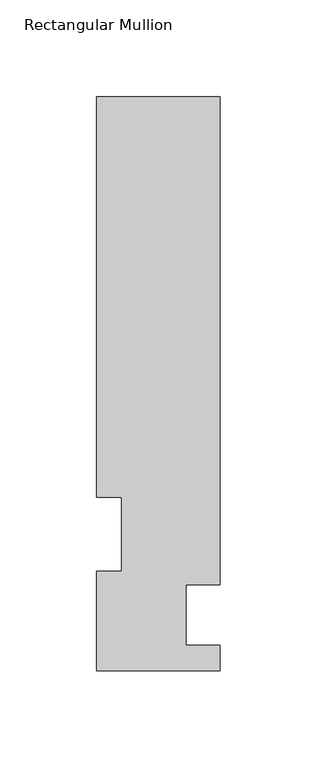
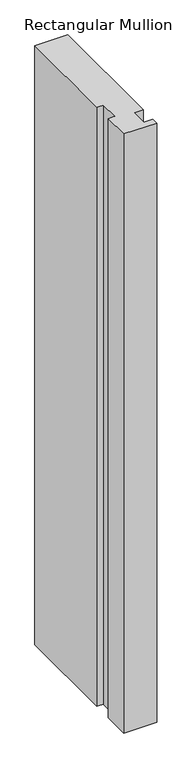
"""IFC4 building model written with IfcOpenShell, lengths in millimetres: member geometry, Rectangular Mullion."""

import ifcopenshell
import ifcopenshell.guid

model = None  # the IFC model being written
_history = None  # IfcOwnerHistory: only IFC2X3 demands one
_inside = {}  # id of a spatial element -> (the spatial element, [elements in it])
_under = {}  # id of a project, library or spatial element -> (it, [spatial elements below it])
_declared = {}  # id of a project -> (the project, [libraries it declares])
_typed = {}  # id of a type object -> (the type object, [elements of that type])
_made_of = {}  # id of a material, layer set ... -> (it, [elements and type objects made of it])


def new_model(schema):
    """Start an empty IFC model of exactly this schema.

    Asked for "IFC4X3", IfcOpenShell would pick the latest addendum, in which some entities
    have other attributes; the version numbers below select the first issue.
    IFC2X3 requires an IfcOwnerHistory on every rooted entity: one is made here for all.
    """
    global model, _history
    if schema == "IFC4X3":
        model = ifcopenshell.file(schema_version=(4, 3, 0, 0))
    else:
        model = ifcopenshell.file(schema=schema)
    _inside.clear()
    _under.clear()
    _declared.clear()
    _typed.clear()
    _made_of.clear()
    _history = None
    if model.schema == "IFC2X3":
        org = make("IfcOrganization", Name="unknown")
        user = make(
            "IfcPersonAndOrganization",
            ThePerson=make("IfcPerson", FamilyName="unknown"),
            TheOrganization=org,
        )
        app = make(
            "IfcApplication",
            ApplicationDeveloper=org,
            Version="unknown",
            ApplicationFullName="unknown",
            ApplicationIdentifier="unknown",
        )
        _history = make(
            "IfcOwnerHistory",
            OwningUser=user,
            OwningApplication=app,
            ChangeAction="ADDED",
            CreationDate=0,
        )
    return model


def make(cls, **values):
    """One entity of the class cls with the attributes given. An attribute that is None is left unset."""
    return model.create_entity(
        cls, **{name: value for name, value in values.items() if value is not None}
    )


def rooted(cls, **values):
    """An entity with a GlobalId (a new one), such as an element, a storey or a relation."""
    return make(cls, GlobalId=ifcopenshell.guid.new(), OwnerHistory=_history, **values)


def si_unit(unit_type, name, prefix=None):
    """IfcSIUnit, for example si_unit("LENGTHUNIT", "METRE", prefix="MILLI")."""
    return make("IfcSIUnit", UnitType=unit_type, Prefix=prefix, Name=name)


def assignment(units):
    """IfcUnitAssignment: the units of a project."""
    return None if units is None else make("IfcUnitAssignment", Units=units)


def point(xyz):
    """IfcCartesianPoint."""
    return None if xyz is None else make("IfcCartesianPoint", Coordinates=xyz)


def direction(xyz):
    """IfcDirection."""
    return None if xyz is None else make("IfcDirection", DirectionRatios=xyz)


def frame(location, z_axis=None, x_axis=None):
    """IfcAxis2Placement3D, a coordinate frame: its origin and axes. An axis left out is left unset."""
    return make(
        "IfcAxis2Placement3D",
        Location=point(location),
        Axis=direction(z_axis),
        RefDirection=direction(x_axis),
    )


def origin():
    """The frame at (0, 0, 0) with its axes left unset."""
    return frame((0.0, 0.0, 0.0))


def place(relative_to, where):
    """IfcLocalPlacement: puts the frame where relative to a parent placement (None: the world)."""
    return make(
        "IfcLocalPlacement", PlacementRelTo=relative_to, RelativePlacement=where
    )


def context(
    kind, dimensions, precision=None, world=None, true_north=None, identifier=None
):
    """IfcGeometricRepresentationContext, for example the 3D "Model" context."""
    return make(
        "IfcGeometricRepresentationContext",
        ContextIdentifier=identifier,
        ContextType=kind,
        CoordinateSpaceDimension=dimensions,
        Precision=precision,
        WorldCoordinateSystem=world,
        TrueNorth=true_north,
    )


def project(units=None, contexts=None):
    """IfcProject with its units and contexts."""
    return rooted(
        "IfcProject",
        Name="project",
        RepresentationContexts=contexts,
        UnitsInContext=assignment(units),
    )


def spatial(cls, under=None, at=None, **own):
    """A site, building, storey or space (cls), placed at a placement, below another one or the project."""
    s = rooted(cls, ObjectPlacement=at, **own)
    if under is not None:
        _under.setdefault(under.id(), (under, []))[1].append(s)
    return s


def polyline(points):
    """IfcPolyline through the points."""
    return make("IfcPolyline", Points=[point(p) for p in points])


def outline(outer, holes=None, kind="AREA"):
    """IfcArbitraryClosedProfileDef: a profile drawn as a closed curve; with holes, ...WithVoids."""
    if holes is None:
        return make("IfcArbitraryClosedProfileDef", ProfileType=kind, OuterCurve=outer)
    return make(
        "IfcArbitraryProfileDefWithVoids",
        ProfileType=kind,
        OuterCurve=outer,
        InnerCurves=holes,
    )


def extrude(swept, where, along, depth):
    """IfcExtrudedAreaSolid: the profile swept, set in the frame where, extruded along a direction by depth."""
    return make(
        "IfcExtrudedAreaSolid",
        SweptArea=swept,
        Position=where,
        ExtrudedDirection=direction(along),
        Depth=depth,
    )


def shape(context_of_items, identifier, shape_type, items):
    """IfcShapeRepresentation: the items that make up one representation, for example the "Body"."""
    return make(
        "IfcShapeRepresentation",
        ContextOfItems=context_of_items,
        RepresentationIdentifier=identifier,
        RepresentationType=shape_type,
        Items=items,
    )


def source(mapping_origin, context_of_items, identifier, shape_type, items):
    """IfcRepresentationMap: a shape defined once, which mapped items show again and again."""
    return make(
        "IfcRepresentationMap",
        MappingOrigin=mapping_origin,
        MappedRepresentation=shape(context_of_items, identifier, shape_type, items),
    )


def transform(
    local_origin,
    x_axis=None,
    y_axis=None,
    z_axis=None,
    scale=None,
    scale2=None,
    scale3=None,
    uniform=True,
):
    """IfcCartesianTransformationOperator3D, or its non-uniform kind. x_axis, y_axis, z_axis: its Axis1, 2, 3."""
    if uniform:
        return make(
            "IfcCartesianTransformationOperator3D",
            Axis1=direction(x_axis),
            Axis2=direction(y_axis),
            LocalOrigin=point(local_origin),
            Scale=scale,
            Axis3=direction(z_axis),
        )
    return make(
        "IfcCartesianTransformationOperator3DnonUniform",
        Axis1=direction(x_axis),
        Axis2=direction(y_axis),
        LocalOrigin=point(local_origin),
        Scale=scale,
        Axis3=direction(z_axis),
        Scale2=scale2,
        Scale3=scale3,
    )


def mapped(mapping_source, mapping_target):
    """IfcMappedItem: shows the shape of a source again, moved by a transform."""
    return make(
        "IfcMappedItem", MappingSource=mapping_source, MappingTarget=mapping_target
    )


def made_of(thing, what):
    """Note that an element or type object is made of a material, layer set ...; save() writes the relation."""
    if what is not None:
        _made_of.setdefault(what.id(), (what, []))[1].append(thing)
    return thing


def element(
    cls,
    number,
    at=None,
    inside=None,
    cuts=None,
    type_object=None,
    material=None,
    context=None,
    identifier="Body",
    shape_type=None,
    held_by="IfcProductDefinitionShape",
    body=None,
    shapes=None,
    **own,
):
    """One element of the class cls, such as IfcWall. Its Tag is "e" and its number.

    at: its placement. inside: the storey or other place that contains it. cuts: it is an
    opening in that element (IfcRelVoidsElement). A single representation is given by context,
    identifier, shape_type and body (its items); several are given by shapes. held_by: the class
    of the entity that holds the representations. save() writes the other relations.
    """
    e = rooted(cls, Tag="e%d" % number, ObjectPlacement=at, **own)
    if body is not None:
        shapes = [shape(context, identifier, shape_type, body)]
    if shapes is not None:
        e.Representation = make(held_by, Representations=shapes)
    if inside is not None:
        _inside.setdefault(inside.id(), (inside, []))[1].append(e)
    if cuts is not None:
        rooted(
            "IfcRelVoidsElement", RelatingBuildingElement=cuts, RelatedOpeningElement=e
        )
    if type_object is not None:
        _typed.setdefault(type_object.id(), (type_object, []))[1].append(e)
    return made_of(e, material)


def aggregate(whole, parts):
    """IfcRelAggregates: a whole, such as a stair, and the parts it consists of."""
    return rooted("IfcRelAggregates", RelatingObject=whole, RelatedObjects=parts)


def save(model, path):
    """Write the relations noted so far, then the file.

    IfcRelAggregates (storeys below a building ...), IfcRelContainedInSpatialStructure (elements
    in a storey), IfcRelDefinesByType, IfcRelAssociatesMaterial and IfcRelDeclares: one each for
    every whole, place, type object, material and project.
    """
    for whole, parts in _under.values():
        aggregate(whole, parts)
    for where, things in _inside.values():
        rooted(
            "IfcRelContainedInSpatialStructure",
            RelatedElements=things,
            RelatingStructure=where,
        )
    for kind, things in _typed.values():
        rooted("IfcRelDefinesByType", RelatedObjects=things, RelatingType=kind)
    for what, things in _made_of.values():
        rooted("IfcRelAssociatesMaterial", RelatedObjects=things, RelatingMaterial=what)
    for by, libraries in _declared.values():
        rooted("IfcRelDeclares", RelatingContext=by, RelatedDefinitions=libraries)
    model.write(path)


def rectangular_mullion_136a4fb0(model_context):
    return source(origin(), model_context, "Body", "SweptSolid", [
        extrude(outline(polyline([(31.75, 13.3945313), (31.75, 0.2119313), (-31.75, 0.2119313), (-31.75, 51.4945312), (-19.05, 51.4945312), (-19.05, 89.5945313), (-31.75, 89.5945313), (-31.75, 295.9695312), (31.7500001, 295.9695312), (31.7500001, 44.4587312), (14.2748001, 44.4587312), (14.2748001, 13.3945313), (31.75, 13.3945313)])), frame((0.0, 0.0, -1219.2), z_axis=(0.0, 0.0, 1.0), x_axis=(1.0, 0.0, 0.0)), (0.0, 0.0, 1.0), 1219.2),
    ])


if __name__ == "__main__":
    model = new_model("IFC4")
    model_context = context("Model", 3, world=origin())
    ifc_project = project(units=[si_unit("LENGTHUNIT", "METRE", prefix="MILLI")], contexts=[model_context])
    site = spatial("IfcSite", under=ifc_project)
    building = spatial("IfcBuilding", under=site)
    placement = place(None, origin())
    rectangular_mullion_shape = rectangular_mullion_136a4fb0(model_context)
    element("IfcMember", 1, ObjectType="Rectangular Mullion", at=placement, inside=building, context=model_context, shape_type="MappedRepresentation", body=[
        mapped(rectangular_mullion_shape, transform((0.0, 0.0, 0.0), x_axis=(1.0, 0.0, 0.0), y_axis=(0.0, 1.0, 0.0), z_axis=(0.0, 0.0, 1.0))),
    ])
    save(model, "model.ifc")
